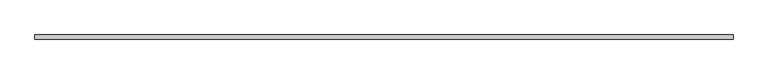
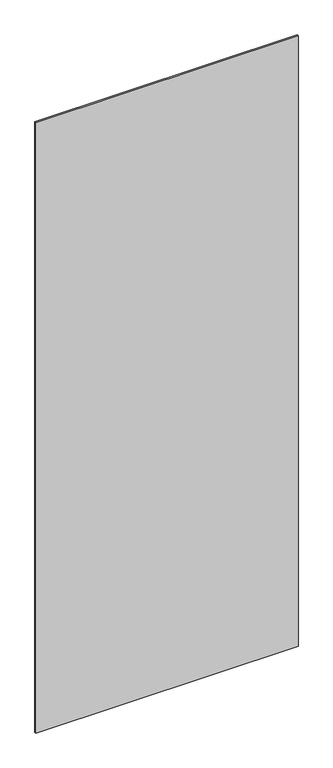
"""IFC4 building model written with IfcOpenShell, lengths in millimetres: plate geometry."""

from ifc_helpers import new_model, si_unit, origin, origin_with_axes, place, context, project, spatial, polyline, outline, extrude, source, transform, mapped, element, save


def plate_e1abbb70(model_context):
    return source(origin(), model_context, "Body", "SweptSolid", [
        extrude(outline(polyline([(784.0442701, -5.0), (-784.0442701, -5.0), (-784.0442701, 5.0), (784.0442701, 5.0), (784.0442701, -5.0)])), origin_with_axes(), (0.0, 0.0, 1.0), 3860.0),
    ])


if __name__ == "__main__":
    model = new_model("IFC4")
    model_context = context("Model", 3, world=origin())
    ifc_project = project(units=[si_unit("LENGTHUNIT", "METRE", prefix="MILLI")], contexts=[model_context])
    site = spatial("IfcSite", under=ifc_project)
    building = spatial("IfcBuilding", under=site)
    placement = place(None, origin())
    plate_shape = plate_e1abbb70(model_context)
    element("IfcPlate", 1, at=placement, inside=building, context=model_context, shape_type="MappedRepresentation", body=[
        mapped(plate_shape, transform((0.0, 0.0, 0.0), x_axis=(1.0, 0.0, 0.0), y_axis=(0.0, 1.0, 0.0), z_axis=(0.0, 0.0, 1.0))),
    ])
    save(model, "model.ifc")
